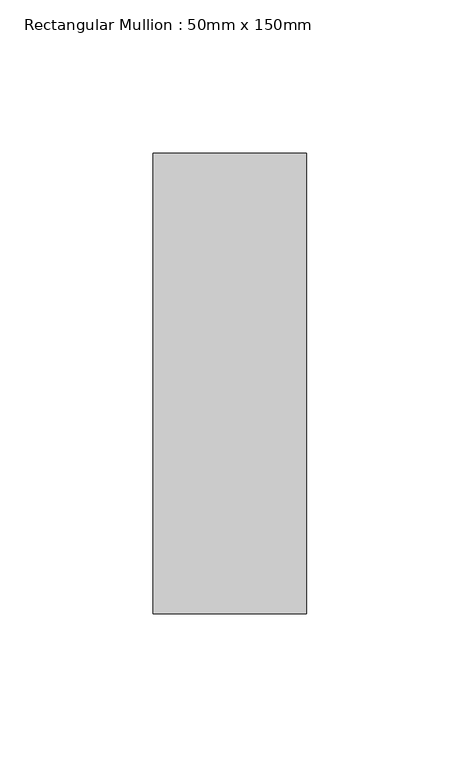
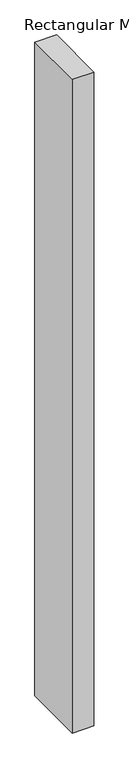
"""IFC4 building model written with IfcOpenShell, lengths in millimetres: member geometry, Rectangular Mullion : 50mm x 150mm."""

from ifc_helpers import new_model, si_unit, frame, origin, place, context, project, spatial, polyline, outline, extrude, source, transform, mapped, element, save


def rectangular_mullion_50mm_x_150mm_849620c7(model_context):
    return source(origin(), model_context, "Body", "SweptSolid", [
        extrude(outline(polyline([(0.0, 75.0), (0.0, -75.0), (-50.0, -75.0), (-50.0, 75.0), (0.0, 75.0)])), frame((0.0, 0.0, -1600.0), z_axis=(0.0, 0.0, 1.0), x_axis=(1.0, 0.0, 0.0)), (0.0, 0.0, 1.0), 1600.0),
    ])


if __name__ == "__main__":
    model = new_model("IFC4")
    model_context = context("Model", 3, world=origin())
    ifc_project = project(units=[si_unit("LENGTHUNIT", "METRE", prefix="MILLI")], contexts=[model_context])
    site = spatial("IfcSite", under=ifc_project)
    building = spatial("IfcBuilding", under=site)
    placement = place(None, origin())
    rectangular_mullion_50mm_x_150mm_shape = rectangular_mullion_50mm_x_150mm_849620c7(model_context)
    element("IfcMember", 1, ObjectType="Rectangular Mullion : 50mm x 150mm", at=placement, inside=building, context=model_context, shape_type="MappedRepresentation", body=[
        mapped(rectangular_mullion_50mm_x_150mm_shape, transform((0.0, 0.0, 0.0), x_axis=(1.0, 0.0, 0.0), y_axis=(0.0, 1.0, 0.0), z_axis=(0.0, 0.0, 1.0))),
    ])
    save(model, "model.ifc")
